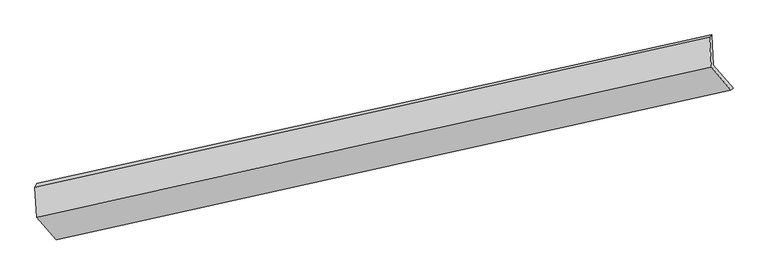
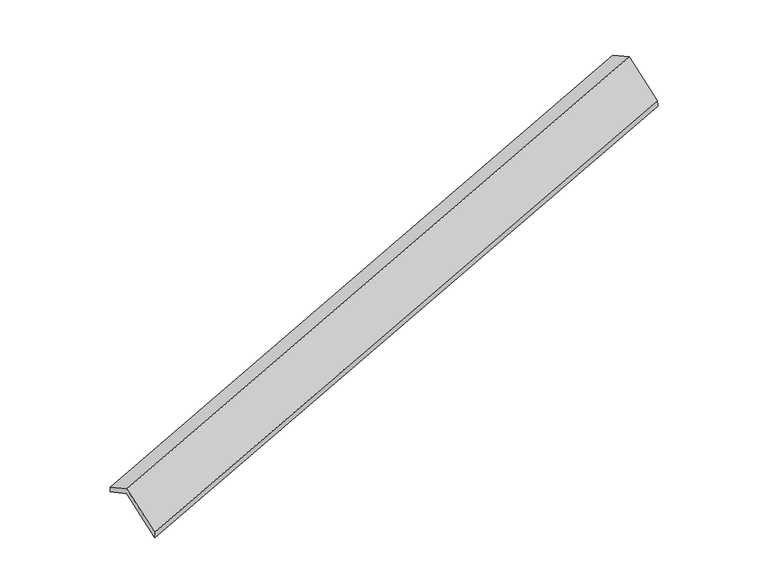
"""IFC4 building model written with IfcOpenShell, lengths in millimetres: proxy geometry."""

from ifc_helpers import new_model, si_unit, frame, origin, place, context, project, spatial, source, transform, mapped, element, save
from ifc_brep_helpers import plane_surface, spline_surface, advanced_brep


def generic_models_96185614(model_context):
    return source(origin(), model_context, "Body", "AdvancedBrep", [
        advanced_brep(
        [(-7530.7991587, -2537.8839075, 738.8780458), (-7556.9208166, -2121.3898576, 525.6340263), (1649.4089821, -88.3804025, 3357.6409901), (1675.53064, -504.8744524, 3570.8850095), (-7582.975076, -2174.3990948, 648.2574594), (1622.239935, -123.6150233, 3471.1638595), (-7557.4108119, -2582.0058366, 856.951197), (1647.804199, -531.2217651, 3679.8575971), (-7292.1801249, -2892.8086855, 217.421878), (1913.034886, -842.024614, 3040.328278), (-7263.1468075, -2851.524513, 93.5095636), (1943.1829912, -818.5150579, 2925.5165274)],
        [
            (0, 1),
            (1, 2),
            (2, 3),
            (3, 0),
            (1, 4),
            (4, 5),
            (5, 2),
            (4, 6),
            (6, 7),
            (7, 5),
            (6, 8),
            (8, 9),
            (9, 7),
            (8, 10),
            (10, 11),
            (11, 9),
            (10, 0),
            (3, 11),
        ],
        [
            plane_surface(frame((-7543.8599876, -2329.6368825, 632.256036), z_axis=(0.3496414184969936, -0.4095052857636561, -0.8426483842048457), x_axis=(-0.05573938560889716, 0.8887308199161131, -0.4550281866249345))),
            spline_surface(1, 1, [[(-7556.9208166, -2121.3898576, 525.6340263), (1649.4089821, -88.3804025, 3357.6409901)], [(-7582.975076, -2174.3990948, 648.2574594), (1622.239935, -123.6150233, 3471.1638595)]], [2, 2], [2, 2], [0.0, 1.0], [0.0, 1.0]),
            plane_surface(frame((-7570.192944, -2378.2024657, 752.6043282), z_axis=(-0.34964141849699076, 0.4095052857636223, 0.8426483842048632), x_axis=(0.0557393856090285, -0.8887308199161028, 0.4550281866249386))),
            plane_surface(frame((-7424.7954684, -2737.407261, 537.1865375), z_axis=(0.05811438663688652, -0.8882048125013728, 0.45575753325120116), x_axis=(0.34948926294260285, -0.4095388049769239, -0.8426952131737248))),
            spline_surface(1, 1, [[(-7292.1801249, -2892.8086855, 217.421878), (1913.034886, -842.024614, 3040.328278)], [(-7263.1468075, -2851.524513, 93.5095636), (1943.1829912, -818.5150579, 2925.5165274)]], [2, 2], [2, 2], [0.0, 1.0], [0.0, 1.0]),
            plane_surface(frame((-7396.9729831, -2694.7042103, 416.1938047), z_axis=(-0.05621441604328929, 0.8886260766412394, -0.45517429116999847), x_axis=(-0.349489262942616, 0.40953880497691864, 0.8426952131737219))),
            plane_surface(frame((1741.8669389, -484.7718859, 3340.8987103), z_axis=(0.9352809075244782, 0.2059987789991608, 0.28777443783464035), x_axis=(0.24913793812262056, 0.19427829035228247, -0.9487814467440874))),
            plane_surface(frame((-7463.9054659, -2526.6686492, 513.4420283), z_axis=(-0.9352809075244712, -0.20599877899934585, -0.28777443783453094), x_axis=(0.3494892629426018, -0.40953880497690315, -0.8426952131737352))),
        ],
        [
            (0, [[1, 2, 3, 4]]),
            (1, [[5, 6, 7, -2]]),
            (2, [[8, 9, 10, -6]]),
            (3, [[11, 12, 13, -9]]),
            (4, [[14, 15, 16, -12]]),
            (5, [[17, -4, 18, -15]]),
            (6, [[-16, -18, -3, -7, -10, -13]]),
            (7, [[-17, -14, -11, -8, -5, -1]]),
        ],
    ),
    ])


if __name__ == "__main__":
    model = new_model("IFC4")
    model_context = context("Model", 3, world=origin())
    ifc_project = project(units=[si_unit("LENGTHUNIT", "METRE", prefix="MILLI")], contexts=[model_context])
    site = spatial("IfcSite", under=ifc_project)
    building = spatial("IfcBuilding", under=site)
    placement = place(None, origin())
    generic_models_shape = generic_models_96185614(model_context)
    element("IfcBuildingElementProxy", 1, Name="Generic Models", at=placement, inside=building, context=model_context, shape_type="MappedRepresentation", body=[
        mapped(generic_models_shape, transform((0.0, 0.0, 0.0), x_axis=(1.0, 0.0, 0.0), y_axis=(0.0, 1.0, 0.0), z_axis=(0.0, 0.0, 1.0))),
    ])
    save(model, "model.ifc")
